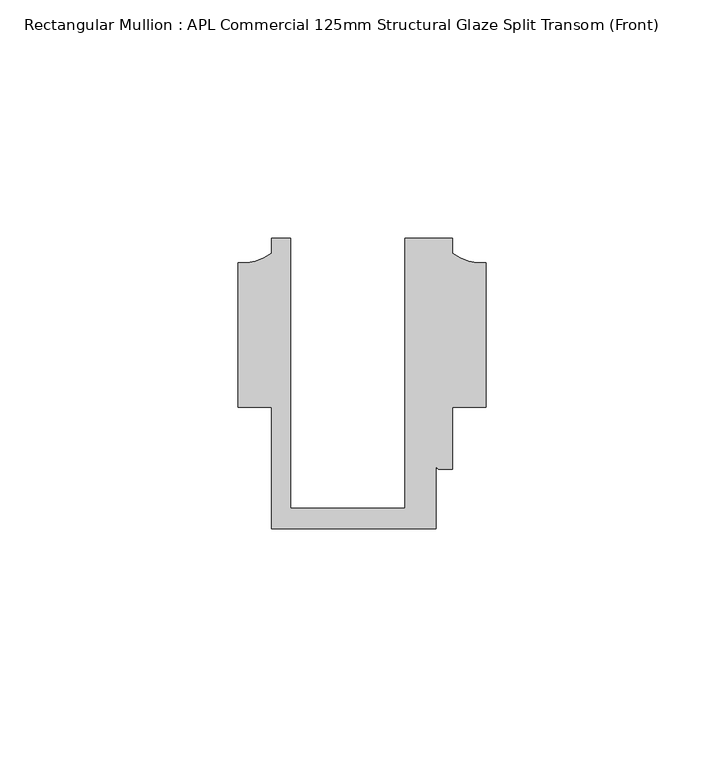
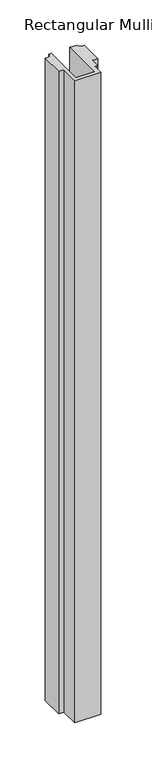
"""IFC4 building model written with IfcOpenShell, lengths in millimetres: member geometry, Rectangular Mullion : APL Commercial 125mm Structural Glaze Split Transom (Front)."""

from ifc_helpers import new_model, si_unit, point, frame, frame_2d, origin, place, context, project, spatial, polyline, circle_curve, trimmed, segment, composite_curve, outline, extrude, source, transform, mapped, element, save


def rectangular_mullion_apl_commercial_125mm_structural_glaze_ca0b8391(model_context):
    return source(origin(), model_context, "Body", "SweptSolid", [
        extrude(outline(composite_curve([segment(polyline([(-24.0309529, 20.5), (-24.0309529, -36.1008577), (0.0, -36.1008577), (0.0, 20.5), (10.0000029, 20.5), (10.0000029, 17.3121423)]), True, "CONTINUOUS"), segment(trimmed(circle_curve(frame_2d((16.1098048, 25.7978024)), 10.4563907), [point((10.0000029, 17.3121423))], [point((16.999942, 15.3793686))], True, "CARTESIAN"), True, "CONTINUOUS"), segment(polyline([(16.999942, 15.3793686), (16.999942, -15.0004617), (10.0000029, -15.0004617), (10.0000029, -28.0002131), (7.5000029, -28.0002131)]), True, "CONTINUOUS"), segment(trimmed(circle_curve(frame_2d((7.5000029, -27.0002131)), 1.0), [point((7.5000029, -28.0002131))], [point((6.5000029, -27.0002131))], False, "CARTESIAN"), True, "CONTINUOUS"), segment(polyline([(6.5000029, -27.0002131), (6.5000029, -40.499932), (-28.0000482, -40.499932), (-28.0000482, -15.001276), (-34.9999873, -15.001276), (-34.9999873, 15.3795682)]), True, "CONTINUOUS"), segment(trimmed(circle_curve(frame_2d((-34.10985, 25.7980019)), 10.4563907), [point((-34.9999873, 15.3795682))], [point((-28.0000482, 17.3123419))], True, "CARTESIAN"), True, "CONTINUOUS"), segment(polyline([(-28.0000482, 17.3123419), (-28.0000482, 20.5), (-24.0309529, 20.5)]), True, "CONTINUOUS")], self_intersect=False)), frame((0.0, 0.0, -905.9401072), z_axis=(0.0, 0.0, 1.0), x_axis=(1.0, 0.0, 0.0)), (0.0, 0.0, 1.0), 905.9401072),
    ])


if __name__ == "__main__":
    model = new_model("IFC4")
    model_context = context("Model", 3, world=origin())
    ifc_project = project(units=[si_unit("LENGTHUNIT", "METRE", prefix="MILLI")], contexts=[model_context])
    site = spatial("IfcSite", under=ifc_project)
    building = spatial("IfcBuilding", under=site)
    placement = place(None, origin())
    rectangular_mullion_apl_commercial_125mm_structural_glaze_shape = rectangular_mullion_apl_commercial_125mm_structural_glaze_ca0b8391(model_context)
    element("IfcMember", 1, ObjectType="Rectangular Mullion : APL Commercial 125mm Structural Glaze Split Transom (Front)", at=placement, inside=building, context=model_context, shape_type="MappedRepresentation", body=[
        mapped(rectangular_mullion_apl_commercial_125mm_structural_glaze_shape, transform((0.0, 0.0, 0.0), x_axis=(1.0, 0.0, 0.0), y_axis=(0.0, 1.0, 0.0), z_axis=(0.0, 0.0, 1.0))),
    ])
    save(model, "model.ifc")
